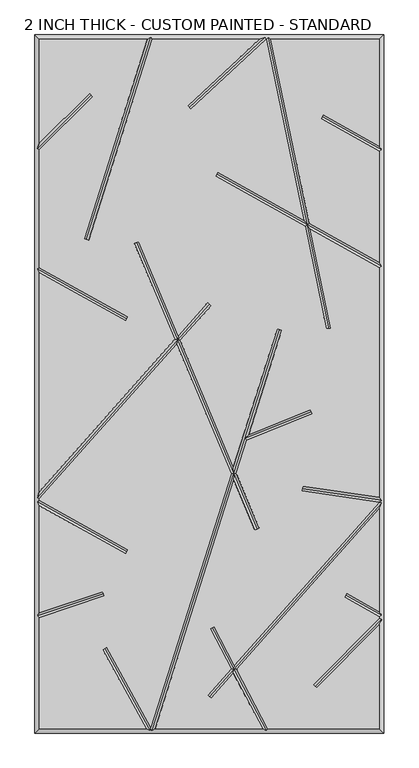
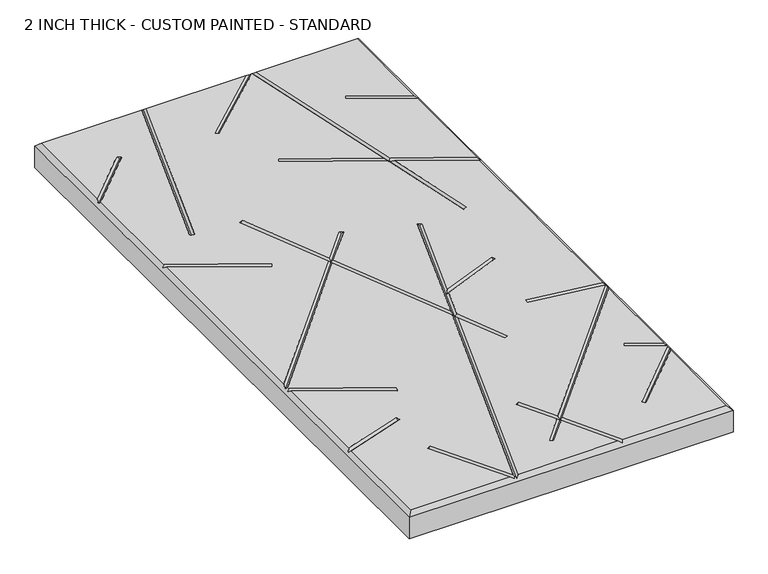
"""IFC4 building model written with IfcOpenShell, lengths in millimetres: proxy geometry, 2 INCH THICK - CUSTOM PAINTED - STANDARD."""

import ifcopenshell
import ifcopenshell.guid

model = None  # the IFC model being written
_history = None  # IfcOwnerHistory: only IFC2X3 demands one
_inside = {}  # id of a spatial element -> (the spatial element, [elements in it])
_under = {}  # id of a project, library or spatial element -> (it, [spatial elements below it])
_declared = {}  # id of a project -> (the project, [libraries it declares])
_typed = {}  # id of a type object -> (the type object, [elements of that type])
_made_of = {}  # id of a material, layer set ... -> (it, [elements and type objects made of it])


def new_model(schema):
    """Start an empty IFC model of exactly this schema.

    Asked for "IFC4X3", IfcOpenShell would pick the latest addendum, in which some entities
    have other attributes; the version numbers below select the first issue.
    IFC2X3 requires an IfcOwnerHistory on every rooted entity: one is made here for all.
    """
    global model, _history
    if schema == "IFC4X3":
        model = ifcopenshell.file(schema_version=(4, 3, 0, 0))
    else:
        model = ifcopenshell.file(schema=schema)
    _inside.clear()
    _under.clear()
    _declared.clear()
    _typed.clear()
    _made_of.clear()
    _history = None
    if model.schema == "IFC2X3":
        org = make("IfcOrganization", Name="unknown")
        user = make(
            "IfcPersonAndOrganization",
            ThePerson=make("IfcPerson", FamilyName="unknown"),
            TheOrganization=org,
        )
        app = make(
            "IfcApplication",
            ApplicationDeveloper=org,
            Version="unknown",
            ApplicationFullName="unknown",
            ApplicationIdentifier="unknown",
        )
        _history = make(
            "IfcOwnerHistory",
            OwningUser=user,
            OwningApplication=app,
            ChangeAction="ADDED",
            CreationDate=0,
        )
    return model


def make(cls, **values):
    """One entity of the class cls with the attributes given. An attribute that is None is left unset."""
    return model.create_entity(
        cls, **{name: value for name, value in values.items() if value is not None}
    )


def rooted(cls, **values):
    """An entity with a GlobalId (a new one), such as an element, a storey or a relation."""
    return make(cls, GlobalId=ifcopenshell.guid.new(), OwnerHistory=_history, **values)


def si_unit(unit_type, name, prefix=None):
    """IfcSIUnit, for example si_unit("LENGTHUNIT", "METRE", prefix="MILLI")."""
    return make("IfcSIUnit", UnitType=unit_type, Prefix=prefix, Name=name)


def assignment(units):
    """IfcUnitAssignment: the units of a project."""
    return None if units is None else make("IfcUnitAssignment", Units=units)


def point(xyz):
    """IfcCartesianPoint."""
    return None if xyz is None else make("IfcCartesianPoint", Coordinates=xyz)


def direction(xyz):
    """IfcDirection."""
    return None if xyz is None else make("IfcDirection", DirectionRatios=xyz)


def frame(location, z_axis=None, x_axis=None):
    """IfcAxis2Placement3D, a coordinate frame: its origin and axes. An axis left out is left unset."""
    return make(
        "IfcAxis2Placement3D",
        Location=point(location),
        Axis=direction(z_axis),
        RefDirection=direction(x_axis),
    )


def origin():
    """The frame at (0, 0, 0) with its axes left unset."""
    return frame((0.0, 0.0, 0.0))


def place(relative_to, where):
    """IfcLocalPlacement: puts the frame where relative to a parent placement (None: the world)."""
    return make(
        "IfcLocalPlacement", PlacementRelTo=relative_to, RelativePlacement=where
    )


def context(
    kind, dimensions, precision=None, world=None, true_north=None, identifier=None
):
    """IfcGeometricRepresentationContext, for example the 3D "Model" context."""
    return make(
        "IfcGeometricRepresentationContext",
        ContextIdentifier=identifier,
        ContextType=kind,
        CoordinateSpaceDimension=dimensions,
        Precision=precision,
        WorldCoordinateSystem=world,
        TrueNorth=true_north,
    )


def project(units=None, contexts=None):
    """IfcProject with its units and contexts."""
    return rooted(
        "IfcProject",
        Name="project",
        RepresentationContexts=contexts,
        UnitsInContext=assignment(units),
    )


def spatial(cls, under=None, at=None, **own):
    """A site, building, storey or space (cls), placed at a placement, below another one or the project."""
    s = rooted(cls, ObjectPlacement=at, **own)
    if under is not None:
        _under.setdefault(under.id(), (under, []))[1].append(s)
    return s


def faces_of(points, faces, orient=None, outer=None):
    """IfcFace entities. A face is a list of loops; a loop is a list of indices into points, from 0.

    orient and outer hold one flag for each loop. By default every Orientation is true, the
    first loop of a face is its IfcFaceOuterBound and the others are IfcFaceBound.
    """
    made = []
    for i, loops in enumerate(faces):
        bounds = []
        for j, loop in enumerate(loops):
            is_outer = j == 0 if outer is None else outer[i][j]
            bounds.append(
                make(
                    "IfcFaceOuterBound" if is_outer else "IfcFaceBound",
                    Bound=make("IfcPolyLoop", Polygon=[points[k] for k in loop]),
                    Orientation=True if orient is None else orient[i][j],
                )
            )
        made.append(make("IfcFace", Bounds=bounds))
    return made


def faceted_brep(points, faces, orient=None, outer=None, voids=None):
    """IfcFacetedBrep: a solid bounded by flat faces; with voids (closed shells), ...WithVoids."""
    shared = [point(p) for p in points]
    hull = make("IfcClosedShell", CfsFaces=faces_of(shared, faces, orient, outer))
    if voids is None:
        return make("IfcFacetedBrep", Outer=hull)
    return make(
        "IfcFacetedBrepWithVoids",
        Outer=hull,
        Voids=[
            make(cls, CfsFaces=faces_of(shared, fs, o, b)) for cls, fs, o, b in voids
        ],
    )


def shape(context_of_items, identifier, shape_type, items):
    """IfcShapeRepresentation: the items that make up one representation, for example the "Body"."""
    return make(
        "IfcShapeRepresentation",
        ContextOfItems=context_of_items,
        RepresentationIdentifier=identifier,
        RepresentationType=shape_type,
        Items=items,
    )


def source(mapping_origin, context_of_items, identifier, shape_type, items):
    """IfcRepresentationMap: a shape defined once, which mapped items show again and again."""
    return make(
        "IfcRepresentationMap",
        MappingOrigin=mapping_origin,
        MappedRepresentation=shape(context_of_items, identifier, shape_type, items),
    )


def transform(
    local_origin,
    x_axis=None,
    y_axis=None,
    z_axis=None,
    scale=None,
    scale2=None,
    scale3=None,
    uniform=True,
):
    """IfcCartesianTransformationOperator3D, or its non-uniform kind. x_axis, y_axis, z_axis: its Axis1, 2, 3."""
    if uniform:
        return make(
            "IfcCartesianTransformationOperator3D",
            Axis1=direction(x_axis),
            Axis2=direction(y_axis),
            LocalOrigin=point(local_origin),
            Scale=scale,
            Axis3=direction(z_axis),
        )
    return make(
        "IfcCartesianTransformationOperator3DnonUniform",
        Axis1=direction(x_axis),
        Axis2=direction(y_axis),
        LocalOrigin=point(local_origin),
        Scale=scale,
        Axis3=direction(z_axis),
        Scale2=scale2,
        Scale3=scale3,
    )


def mapped(mapping_source, mapping_target):
    """IfcMappedItem: shows the shape of a source again, moved by a transform."""
    return make(
        "IfcMappedItem", MappingSource=mapping_source, MappingTarget=mapping_target
    )


def made_of(thing, what):
    """Note that an element or type object is made of a material, layer set ...; save() writes the relation."""
    if what is not None:
        _made_of.setdefault(what.id(), (what, []))[1].append(thing)
    return thing


def element(
    cls,
    number,
    at=None,
    inside=None,
    cuts=None,
    type_object=None,
    material=None,
    context=None,
    identifier="Body",
    shape_type=None,
    held_by="IfcProductDefinitionShape",
    body=None,
    shapes=None,
    **own,
):
    """One element of the class cls, such as IfcWall. Its Tag is "e" and its number.

    at: its placement. inside: the storey or other place that contains it. cuts: it is an
    opening in that element (IfcRelVoidsElement). A single representation is given by context,
    identifier, shape_type and body (its items); several are given by shapes. held_by: the class
    of the entity that holds the representations. save() writes the other relations.
    """
    e = rooted(cls, Tag="e%d" % number, ObjectPlacement=at, **own)
    if body is not None:
        shapes = [shape(context, identifier, shape_type, body)]
    if shapes is not None:
        e.Representation = make(held_by, Representations=shapes)
    if inside is not None:
        _inside.setdefault(inside.id(), (inside, []))[1].append(e)
    if cuts is not None:
        rooted(
            "IfcRelVoidsElement", RelatingBuildingElement=cuts, RelatedOpeningElement=e
        )
    if type_object is not None:
        _typed.setdefault(type_object.id(), (type_object, []))[1].append(e)
    return made_of(e, material)


def aggregate(whole, parts):
    """IfcRelAggregates: a whole, such as a stair, and the parts it consists of."""
    return rooted("IfcRelAggregates", RelatingObject=whole, RelatedObjects=parts)


def save(model, path):
    """Write the relations noted so far, then the file.

    IfcRelAggregates (storeys below a building ...), IfcRelContainedInSpatialStructure (elements
    in a storey), IfcRelDefinesByType, IfcRelAssociatesMaterial and IfcRelDeclares: one each for
    every whole, place, type object, material and project.
    """
    for whole, parts in _under.values():
        aggregate(whole, parts)
    for where, things in _inside.values():
        rooted(
            "IfcRelContainedInSpatialStructure",
            RelatedElements=things,
            RelatingStructure=where,
        )
    for kind, things in _typed.values():
        rooted("IfcRelDefinesByType", RelatedObjects=things, RelatingType=kind)
    for what, things in _made_of.values():
        rooted("IfcRelAssociatesMaterial", RelatedObjects=things, RelatingMaterial=what)
    for by, libraries in _declared.values():
        rooted("IfcRelDeclares", RelatingContext=by, RelatedDefinitions=libraries)
    model.write(path)


def proxy_2_inch_thick_custom_painted_standard_8256eb3d(model_context):
    return source(origin(), model_context, "Body", "Brep", [
        faceted_brep([(-296.799, 601.599, 50.8), (-296.799, 420.0585614, 50.8), (-209.465267, 507.3922944, 50.8), (-203.8077056, 501.734733, 50.8), (-296.799, 408.7434386, 50.8), (-296.799, 203.3118869, 50.8), (-142.5916835, 117.1439143, 50.8), (-146.4945108, 110.1593642, 50.8), (-296.799, 194.1465147, 50.8), (-296.799, -188.1783655, 50.8), (-60.414797, 77.7314881, 50.8), (-130.9100687, 245.4965414, 50.8), (-123.5338229, 248.5960573, 50.8), (-54.5217155, 84.360647, 50.8), (-2.9898999, 142.3290618, 50.8), (2.9898999, 137.0132369, 50.8), (-51.0856167, 76.1833992, 50.8), (41.8198404, -144.9135422, 50.8), (118.4676512, 96.3670459, 50.8), (126.0931354, 93.9446518, 50.8), (68.2308495, -88.200751, 50.8), (176.389257, -44.7967941, 50.8), (179.3690728, -52.2222031, 50.8), (65.0919979, -98.0815805, 50.8), (46.6006106, -156.2908465, 50.8), (86.8913986, -252.1750957, 50.8), (79.5151528, -255.2746116, 50.8), (42.86425, -168.0525821, 50.8), (-94.8608114, -601.599, 50.8), (92.8718763, -601.599, 50.8), (41.9909547, -504.8565668, 50.8), (2.9898999, -548.7290618, 50.8), (-2.9898999, -543.4132369, 50.8), (38.011603, -497.2904271, 50.8), (1.2803392, -427.4514438, 50.8), (8.3616601, -423.7270787, 50.8), (43.691373, -490.9012234, 50.8), (296.799, -206.1791008, 50.8), (161.5180376, -186.5574472, 50.8), (162.66123, -178.6385386, 50.8), (296.799, -198.0029854, 50.8), (296.799, 203.0881131, 50.8), (176.1280645, 270.5166249, 50.8), (212.0312358, 97.6915725, 50.8), (204.1974911, 96.064168, 50.8), (166.8830535, 275.6825527, 50.8), (10.5996532, 363.0105994, 50.8), (14.5024805, 369.9951496, 50.8), (164.7289602, 286.0515892, 50.8), (99.1762375, 601.599, 50.8), (98.8402099, 601.599, 50.8), (-32.7718055, 479.8900914, 50.8), (-38.2040457, 485.7643375, 50.8), (87.055753, 601.599, 50.8), (-99.9441805, 601.599, 50.8), (-211.1838045, 251.4264167, 50.8), (-218.8092886, 253.8488108, 50.8), (-108.3391886, 601.599, 50.8), (101.9119977, -601.599, 50.8), (296.799, -601.599, 50.8), (296.799, -420.1587392, 50.8), (187.3700731, -530.5992999, 50.8), (181.6865411, -524.967829, 50.8), (296.799, -408.7911939, 50.8), (296.799, -406.5118869, 50.8), (236.129826, -372.6111626, 50.8), (240.0326533, -365.6266125, 50.8), (296.799, -397.3465147, 50.8), (296.799, -218.2216345, 50.8), (47.6707247, -498.4673632, 50.8), (173.9739712, 280.8856615, 50.8), (296.799, 212.2534853, 50.8), (296.799, 406.2881131, 50.8), (194.792886, 463.287095, 50.8), (198.6957133, 470.2716451, 50.8), (296.799, 415.4534853, 50.8), (296.799, 601.599, 50.8), (107.3480638, 601.599, 50.8), (38.0834798, -156.6752779, 50.8), (-56.9786982, 69.5542403, 50.8), (-296.799, -200.2208992, 50.8), (-296.799, -203.0881131, 50.8), (-142.5916835, -289.2560857, 50.8), (-146.4945108, -296.2406358, 50.8), (-296.799, -212.2534853, 50.8), (-296.799, -399.4880331, 50.8), (-186.4041101, -362.3555047, 50.8), (-183.8533173, -369.9390037, 50.8), (-296.799, -407.9295192, 50.8), (-296.799, -601.599, 50.8), (-110.5588891, -601.599, 50.8), (-186.2344077, -463.8225395, 50.8), (-179.2216231, -459.970676, 50.8), (-102.5869372, -599.4934169, 50.8), (-304.8, 609.6, 0.0), (304.8, 609.6, 0.0), (304.8, -609.6, 0.0), (-304.8, -609.6, 0.0), (-304.8, -609.6, 42.799), (-304.8, 609.6, 42.799), (304.8, -609.6, 42.799), (304.8, 609.6, 42.799), (-102.8708423, 605.5995, 46.7995), (97.2739907, 605.5995, 46.7995), (102.4310753, 605.5995, 46.7995), (-300.7995, -405.0543881, 46.7995), (-300.7995, -205.4353996, 46.7995), (-300.7995, -198.6998162, 46.7995), (-300.7995, 200.9646004, 46.7995), (-300.7995, 410.4005, 46.7995), (99.4959685, -605.5995, 46.7995), (-100.3291577, -605.5995, 46.7995), (-102.246608, -602.9785071, 49.4204929), (-103.7973268, -605.5995, 46.7995), (300.7995, 408.6353996, 46.7995), (300.7995, 205.4353996, 46.7995), (300.7995, -202.6224783, 46.7995), (300.7995, -207.7001838, 46.7995), (300.7995, -404.1646004, 46.7995), (300.7995, -410.4374833, 46.7995), (-206.6364863, 504.5635137, 46.7995), (-214.9965466, 252.6376137, 46.7995), (-144.5430971, 113.6516392, 46.7995), (12.5510669, 366.5028745, 46.7995), (170.4285124, 278.2841071, 46.7995), (-35.4879256, 482.8272145, 46.7995), (208.1143635, 96.8778703, 46.7995), (196.7442997, 466.77937, 46.7995), (122.2803933, 95.1558489, 46.7995), (42.3420452, -156.4830622, 46.7995), (61.850634, -95.0717351, 46.7995), (83.2032757, -253.7248536, 46.7995), (-127.2219458, 247.0462994, 46.7995), (-55.7502068, 76.9574436, 46.7995), (0.0, 139.6711493, 46.7995), (-185.1287137, -366.1472542, 46.7995), (-144.5430971, -292.7483608, 46.7995), (-182.7280154, -461.8966077, 46.7995), (4.8209997, -425.5892613, 46.7995), (42.8411639, -497.8788951, 46.7995), (184.5283071, -527.7835644, 46.7995), (238.0812397, -369.1188875, 46.7995), (0.0, -546.0711493, 46.7995), (162.0896338, -182.5979929, 46.7995), (177.8791649, -48.5094986, 46.7995)], [[[0, 1, 2, 3, 4, 5, 6, 7, 8, 9, 10, 11, 12, 13, 14, 15, 16, 17, 18, 19, 20, 21, 22, 23, 24, 25, 26, 27, 28, 29, 30, 31, 32, 33, 34, 35, 36, 37, 38, 39, 40, 41, 42, 43, 44, 45, 46, 47, 48, 49, 50, 51, 52, 53, 54, 55, 56, 57]], [[58, 59, 60, 61, 62, 63, 64, 65, 66, 67, 68, 69]], [[70, 71, 72, 73, 74, 75, 76, 77]], [[78, 79, 80, 81, 82, 83, 84, 85, 86, 87, 88, 89, 90, 91, 92, 93]], [[94, 95, 96, 97]], [[94, 97, 98, 99]], [[97, 96, 100, 98]], [[96, 95, 101, 100]], [[95, 94, 99, 101]], [[99, 0, 57, 102, 54, 53, 103, 50, 49, 104, 77, 76, 101]], [[0, 99, 98, 89, 88, 105, 85, 84, 106, 81, 80, 107, 9, 8, 108, 5, 4, 109, 1]], [[89, 98, 100, 59, 58, 110, 29, 28, 111, 112, 113, 90]], [[101, 76, 75, 114, 72, 71, 115, 41, 40, 116, 37, 117, 68, 67, 118, 64, 63, 119, 60, 59, 100]], [[2, 120, 3]], [[120, 2, 1, 109]], [[3, 120, 109, 4]], [[55, 121, 56]], [[121, 55, 54, 102]], [[56, 121, 102, 57]], [[6, 122, 7]], [[122, 6, 5, 108]], [[7, 122, 108, 8]], [[46, 123, 47]], [[41, 115, 124, 42]], [[123, 46, 45, 124]], [[115, 71, 70, 124]], [[47, 123, 124, 48]], [[51, 125, 52]], [[125, 51, 50, 103]], [[52, 125, 103, 53]], [[43, 126, 44]], [[44, 126, 124, 45]], [[124, 104, 49, 48]], [[126, 43, 42, 124]], [[104, 124, 70, 77]], [[73, 127, 74]], [[127, 73, 72, 114]], [[74, 127, 114, 75]], [[18, 128, 19]], [[111, 28, 27, 129]], [[19, 128, 130, 20]], [[129, 24, 23, 130]], [[128, 18, 17, 129, 130]], [[111, 129, 78, 93, 112]], [[25, 131, 26]], [[11, 132, 12]], [[78, 129, 133, 79]], [[26, 131, 129, 27]], [[132, 11, 10, 133]], [[129, 17, 16, 133]], [[131, 25, 24, 129]], [[12, 132, 133, 13]], [[14, 134, 15]], [[134, 14, 13, 133]], [[107, 133, 10, 9]], [[15, 134, 133, 16]], [[133, 107, 80, 79]], [[86, 135, 87]], [[135, 86, 85, 105]], [[87, 135, 105, 88]], [[82, 136, 83]], [[83, 136, 106, 84]], [[136, 82, 81, 106]], [[91, 137, 92]], [[137, 91, 90, 113]], [[92, 137, 113, 112, 93]], [[34, 138, 35]], [[29, 110, 139, 30]], [[138, 34, 33, 139]], [[110, 58, 69, 139]], [[35, 138, 139, 36]], [[61, 140, 62]], [[62, 140, 119, 63]], [[140, 61, 60, 119]], [[65, 141, 66]], [[141, 65, 64, 118]], [[66, 141, 118, 67]], [[31, 142, 32]], [[32, 142, 139, 33]], [[139, 117, 37, 36]], [[142, 31, 30, 139]], [[117, 139, 69, 68]], [[38, 143, 39]], [[143, 38, 37, 116]], [[39, 143, 116, 40]], [[21, 144, 22]], [[144, 21, 20, 130]], [[22, 144, 130, 23]]]),
    ])


if __name__ == "__main__":
    model = new_model("IFC4")
    model_context = context("Model", 3, world=origin())
    ifc_project = project(units=[si_unit("LENGTHUNIT", "METRE", prefix="MILLI")], contexts=[model_context])
    site = spatial("IfcSite", under=ifc_project)
    building = spatial("IfcBuilding", under=site)
    placement = place(None, origin())
    proxy_2_inch_thick_custom_painted_standard_shape = proxy_2_inch_thick_custom_painted_standard_8256eb3d(model_context)
    element("IfcBuildingElementProxy", 1, Name="2 INCH THICK - CUSTOM PAINTED - STANDARD", ObjectType="2 INCH THICK - CUSTOM PAINTED - STANDARD", at=placement, inside=building, context=model_context, shape_type="MappedRepresentation", body=[
        mapped(proxy_2_inch_thick_custom_painted_standard_shape, transform((0.0, 0.0, 0.0), x_axis=(1.0, 0.0, 0.0), y_axis=(0.0, 1.0, 0.0), z_axis=(0.0, 0.0, 1.0))),
    ])
    save(model, "model.ifc")
